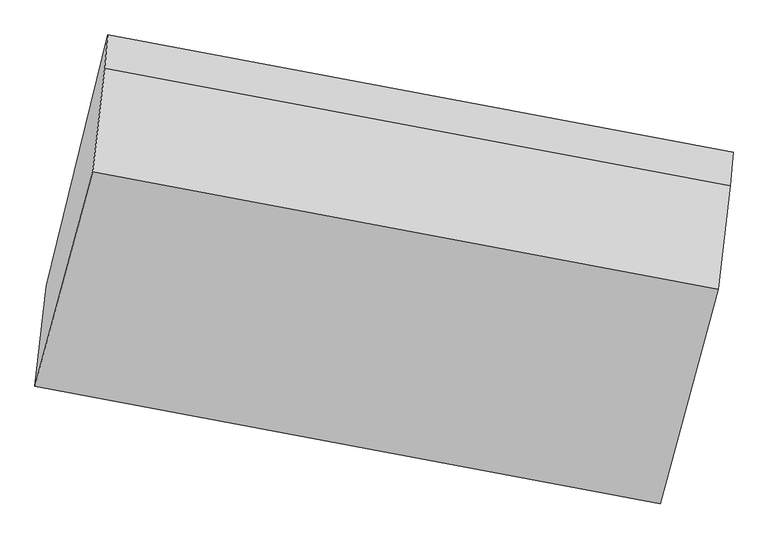
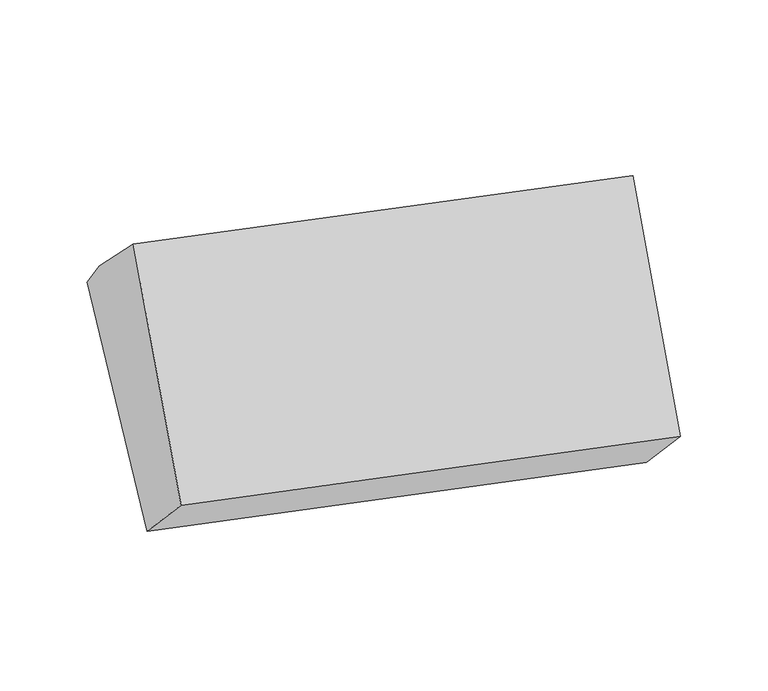
"""IFC4 building model written with IfcOpenShell, lengths in millimetres: proxy geometry."""

from ifc_helpers import new_model, si_unit, origin, place, context, project, spatial, faceted_brep, source, transform, mapped, element, save


def generic_models_8b834355(model_context):
    return source(origin(), model_context, "Body", "Brep", [
        faceted_brep([(-3838.4236756, -1846.9530354, 1876.0040434), (-3807.232616, -1566.3196794, 1588.8198472), (-2059.8840849, -1894.6744958, 1457.734424), (-2091.0751445, -2175.3078518, 1744.9186201), (-3635.1375626, -864.9024272, 2125.8460393), (-1887.7890315, -1193.2572436, 1994.760616), (-3643.2761875, -957.5757108, 2249.4959803), (-1895.9276563, -1285.9305272, 2118.4105571), (-3676.8585168, -1247.1866237, 2527.2927281), (-1929.5099857, -1575.5414401, 2396.2073049)], [[[0, 1, 2, 3]], [[1, 4, 5]], [[4, 6, 7, 5]], [[6, 8, 9, 7]], [[8, 0, 3, 9]], [[7, 9, 3, 2, 5]], [[0, 8, 6, 4, 1]], [[5, 2, 1]]]),
    ])


if __name__ == "__main__":
    model = new_model("IFC4")
    model_context = context("Model", 3, world=origin())
    ifc_project = project(units=[si_unit("LENGTHUNIT", "METRE", prefix="MILLI")], contexts=[model_context])
    site = spatial("IfcSite", under=ifc_project)
    building = spatial("IfcBuilding", under=site)
    placement = place(None, origin())
    generic_models_shape = generic_models_8b834355(model_context)
    element("IfcBuildingElementProxy", 1, Name="Generic Models", at=placement, inside=building, context=model_context, shape_type="MappedRepresentation", body=[
        mapped(generic_models_shape, transform((0.0, 0.0, 0.0), x_axis=(1.0, 0.0, 0.0), y_axis=(0.0, 1.0, 0.0), z_axis=(0.0, 0.0, 1.0))),
    ])
    save(model, "model.ifc")
